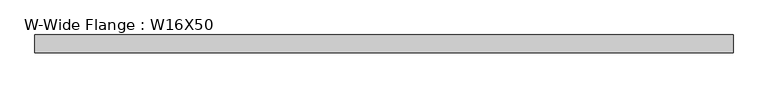
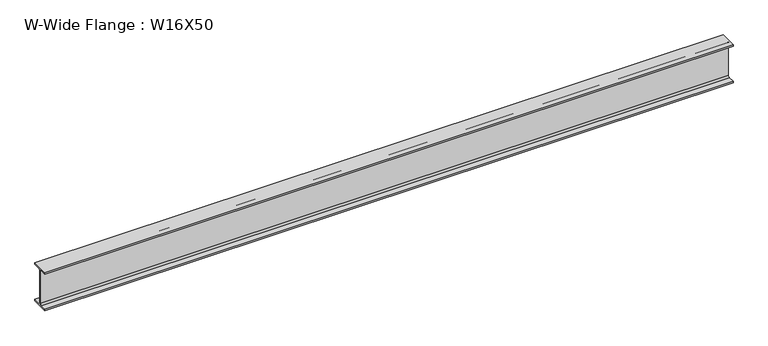
"""IFC4 building model written with IfcOpenShell, lengths in millimetres: beam geometry, W-Wide Flange : W16X50."""

from ifc_helpers import new_model, si_unit, point, frame, frame_2d, origin, place, context, project, spatial, polyline, circle_curve, trimmed, segment, composite_curve, outline, extrude, source, transform, mapped, element, save


def w_wide_flange_w16x50_4516818f(model_context):
    return source(origin(), model_context, "Body", "SweptSolid", [
        extrude(outline(composite_curve([segment(polyline([(89.8, -191.0), (89.8, -207.0), (-89.8, -207.0), (-89.8, -191.0), (-22.15, -191.0)]), True, "CONTINUOUS"), segment(trimmed(circle_curve(frame_2d((-22.15, -173.7)), 17.3), [point((-22.15, -191.0))], [point((-4.85, -173.7))], True, "CARTESIAN"), True, "CONTINUOUS"), segment(polyline([(-4.85, -173.7), (-4.85, 173.7)]), True, "CONTINUOUS"), segment(trimmed(circle_curve(frame_2d((-22.15, 173.7)), 17.3), [point((-4.85, 173.7))], [point((-22.15, 191.0))], True, "CARTESIAN"), True, "CONTINUOUS"), segment(polyline([(-22.15, 191.0), (-89.8, 191.0), (-89.8, 207.0), (89.8, 207.0), (89.8, 191.0), (22.15, 191.0)]), True, "CONTINUOUS"), segment(trimmed(circle_curve(frame_2d((22.15, 173.7)), 17.3), [point((22.15, 191.0))], [point((4.85, 173.7))], True, "CARTESIAN"), True, "CONTINUOUS"), segment(polyline([(4.85, 173.7), (4.85, -173.7)]), True, "CONTINUOUS"), segment(trimmed(circle_curve(frame_2d((22.15, -173.7)), 17.3), [point((4.85, -173.7))], [point((22.15, -191.0))], True, "CARTESIAN"), True, "CONTINUOUS"), segment(polyline([(22.15, -191.0), (89.8, -191.0)]), True, "CONTINUOUS")], self_intersect=False)), frame((-3546.4983608, 0.0, 0.0), z_axis=(1.0, 0.0, 0.0), x_axis=(0.0, 1.0, 0.0)), (0.0, 0.0, 1.0), 7085.5824099),
    ])


if __name__ == "__main__":
    model = new_model("IFC4")
    model_context = context("Model", 3, world=origin())
    ifc_project = project(units=[si_unit("LENGTHUNIT", "METRE", prefix="MILLI")], contexts=[model_context])
    site = spatial("IfcSite", under=ifc_project)
    building = spatial("IfcBuilding", under=site)
    placement = place(None, origin())
    w_wide_flange_w16x50_shape = w_wide_flange_w16x50_4516818f(model_context)
    element("IfcBeam", 1, ObjectType="W-Wide Flange : W16X50", at=placement, inside=building, context=model_context, shape_type="MappedRepresentation", body=[
        mapped(w_wide_flange_w16x50_shape, transform((0.0, 0.0, 0.0), x_axis=(1.0, 0.0, 0.0), y_axis=(0.0, 1.0, 0.0), z_axis=(0.0, 0.0, 1.0))),
    ])
    save(model, "model.ifc")
